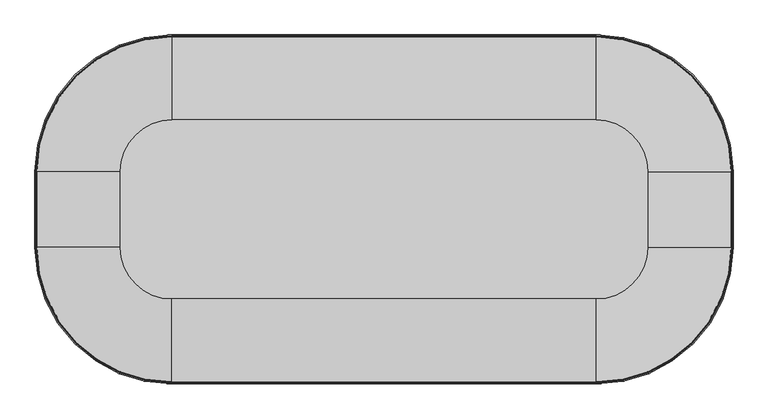
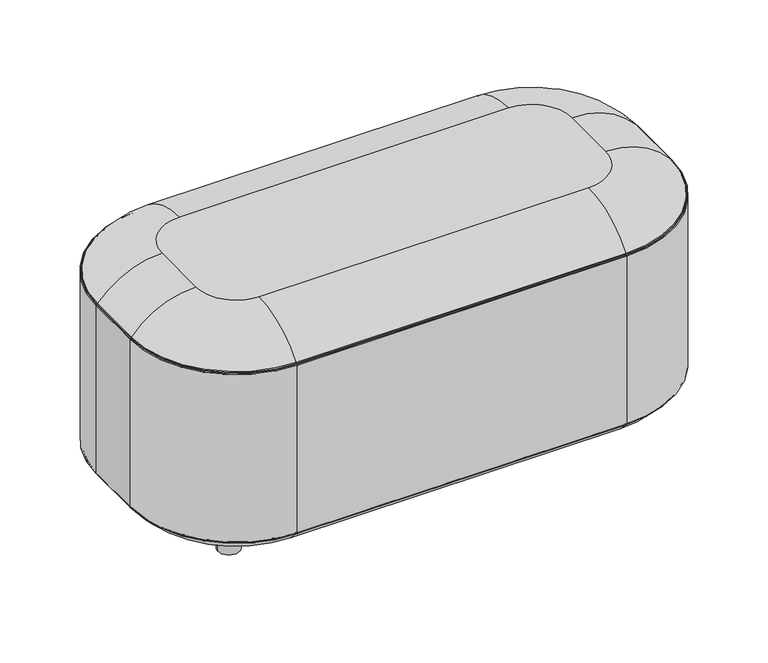
"""IFC4 building model written with IfcOpenShell, lengths in millimetres: furniture geometry."""

import ifcopenshell
import ifcopenshell.guid

model = None  # the IFC model being written
_history = None  # IfcOwnerHistory: only IFC2X3 demands one
_inside = {}  # id of a spatial element -> (the spatial element, [elements in it])
_under = {}  # id of a project, library or spatial element -> (it, [spatial elements below it])
_declared = {}  # id of a project -> (the project, [libraries it declares])
_typed = {}  # id of a type object -> (the type object, [elements of that type])
_made_of = {}  # id of a material, layer set ... -> (it, [elements and type objects made of it])


def new_model(schema):
    """Start an empty IFC model of exactly this schema.

    Asked for "IFC4X3", IfcOpenShell would pick the latest addendum, in which some entities
    have other attributes; the version numbers below select the first issue.
    IFC2X3 requires an IfcOwnerHistory on every rooted entity: one is made here for all.
    """
    global model, _history
    if schema == "IFC4X3":
        model = ifcopenshell.file(schema_version=(4, 3, 0, 0))
    else:
        model = ifcopenshell.file(schema=schema)
    _inside.clear()
    _under.clear()
    _declared.clear()
    _typed.clear()
    _made_of.clear()
    _history = None
    if model.schema == "IFC2X3":
        org = make("IfcOrganization", Name="unknown")
        user = make(
            "IfcPersonAndOrganization",
            ThePerson=make("IfcPerson", FamilyName="unknown"),
            TheOrganization=org,
        )
        app = make(
            "IfcApplication",
            ApplicationDeveloper=org,
            Version="unknown",
            ApplicationFullName="unknown",
            ApplicationIdentifier="unknown",
        )
        _history = make(
            "IfcOwnerHistory",
            OwningUser=user,
            OwningApplication=app,
            ChangeAction="ADDED",
            CreationDate=0,
        )
    return model


def make(cls, **values):
    """One entity of the class cls with the attributes given. An attribute that is None is left unset."""
    return model.create_entity(
        cls, **{name: value for name, value in values.items() if value is not None}
    )


def rooted(cls, **values):
    """An entity with a GlobalId (a new one), such as an element, a storey or a relation."""
    return make(cls, GlobalId=ifcopenshell.guid.new(), OwnerHistory=_history, **values)


def si_unit(unit_type, name, prefix=None):
    """IfcSIUnit, for example si_unit("LENGTHUNIT", "METRE", prefix="MILLI")."""
    return make("IfcSIUnit", UnitType=unit_type, Prefix=prefix, Name=name)


def assignment(units):
    """IfcUnitAssignment: the units of a project."""
    return None if units is None else make("IfcUnitAssignment", Units=units)


def point(xyz):
    """IfcCartesianPoint."""
    return None if xyz is None else make("IfcCartesianPoint", Coordinates=xyz)


def direction(xyz):
    """IfcDirection."""
    return None if xyz is None else make("IfcDirection", DirectionRatios=xyz)


def frame(location, z_axis=None, x_axis=None):
    """IfcAxis2Placement3D, a coordinate frame: its origin and axes. An axis left out is left unset."""
    return make(
        "IfcAxis2Placement3D",
        Location=point(location),
        Axis=direction(z_axis),
        RefDirection=direction(x_axis),
    )


def frame_2d(location, x_axis=None):
    """IfcAxis2Placement2D, a coordinate frame in the plane: its origin and x axis."""
    return make(
        "IfcAxis2Placement2D", Location=point(location), RefDirection=direction(x_axis)
    )


def origin():
    """The frame at (0, 0, 0) with its axes left unset."""
    return frame((0.0, 0.0, 0.0))


def origin_with_axes():
    """The frame at (0, 0, 0) with the z axis (0, 0, 1) and the x axis (1, 0, 0) written out."""
    return frame((0.0, 0.0, 0.0), z_axis=(0.0, 0.0, 1.0), x_axis=(1.0, 0.0, 0.0))


def place(relative_to, where):
    """IfcLocalPlacement: puts the frame where relative to a parent placement (None: the world)."""
    return make(
        "IfcLocalPlacement", PlacementRelTo=relative_to, RelativePlacement=where
    )


def context(
    kind, dimensions, precision=None, world=None, true_north=None, identifier=None
):
    """IfcGeometricRepresentationContext, for example the 3D "Model" context."""
    return make(
        "IfcGeometricRepresentationContext",
        ContextIdentifier=identifier,
        ContextType=kind,
        CoordinateSpaceDimension=dimensions,
        Precision=precision,
        WorldCoordinateSystem=world,
        TrueNorth=true_north,
    )


def project(units=None, contexts=None):
    """IfcProject with its units and contexts."""
    return rooted(
        "IfcProject",
        Name="project",
        RepresentationContexts=contexts,
        UnitsInContext=assignment(units),
    )


def spatial(cls, under=None, at=None, **own):
    """A site, building, storey or space (cls), placed at a placement, below another one or the project."""
    s = rooted(cls, ObjectPlacement=at, **own)
    if under is not None:
        _under.setdefault(under.id(), (under, []))[1].append(s)
    return s


def polyline(points):
    """IfcPolyline through the points."""
    return make("IfcPolyline", Points=[point(p) for p in points])


def circle_curve(where, radius):
    """IfcCircle in the frame where."""
    return make("IfcCircle", Position=where, Radius=radius)


def ellipse_curve(where, semi_axis1, semi_axis2):
    """IfcEllipse in the frame where."""
    return make(
        "IfcEllipse", Position=where, SemiAxis1=semi_axis1, SemiAxis2=semi_axis2
    )


def trimmed(basis, trim1, trim2, sense, master):
    """IfcTrimmedCurve: the piece of a basis curve between two trims."""
    return make(
        "IfcTrimmedCurve",
        BasisCurve=basis,
        Trim1=trim1,
        Trim2=trim2,
        SenseAgreement=sense,
        MasterRepresentation=master,
    )


def segment(curve, same_sense, transition):
    """IfcCompositeCurveSegment."""
    return make(
        "IfcCompositeCurveSegment",
        Transition=transition,
        SameSense=same_sense,
        ParentCurve=curve,
    )


def composite_curve(segments, self_intersect=None):
    """IfcCompositeCurve: segments joined end to end."""
    return make("IfcCompositeCurve", Segments=segments, SelfIntersect=self_intersect)


def outline(outer, holes=None, kind="AREA"):
    """IfcArbitraryClosedProfileDef: a profile drawn as a closed curve; with holes, ...WithVoids."""
    if holes is None:
        return make("IfcArbitraryClosedProfileDef", ProfileType=kind, OuterCurve=outer)
    return make(
        "IfcArbitraryProfileDefWithVoids",
        ProfileType=kind,
        OuterCurve=outer,
        InnerCurves=holes,
    )


def extrude(swept, where, along, depth):
    """IfcExtrudedAreaSolid: the profile swept, set in the frame where, extruded along a direction by depth."""
    return make(
        "IfcExtrudedAreaSolid",
        SweptArea=swept,
        Position=where,
        ExtrudedDirection=direction(along),
        Depth=depth,
    )


def shape(context_of_items, identifier, shape_type, items):
    """IfcShapeRepresentation: the items that make up one representation, for example the "Body"."""
    return make(
        "IfcShapeRepresentation",
        ContextOfItems=context_of_items,
        RepresentationIdentifier=identifier,
        RepresentationType=shape_type,
        Items=items,
    )


def source(mapping_origin, context_of_items, identifier, shape_type, items):
    """IfcRepresentationMap: a shape defined once, which mapped items show again and again."""
    return make(
        "IfcRepresentationMap",
        MappingOrigin=mapping_origin,
        MappedRepresentation=shape(context_of_items, identifier, shape_type, items),
    )


def transform(
    local_origin,
    x_axis=None,
    y_axis=None,
    z_axis=None,
    scale=None,
    scale2=None,
    scale3=None,
    uniform=True,
):
    """IfcCartesianTransformationOperator3D, or its non-uniform kind. x_axis, y_axis, z_axis: its Axis1, 2, 3."""
    if uniform:
        return make(
            "IfcCartesianTransformationOperator3D",
            Axis1=direction(x_axis),
            Axis2=direction(y_axis),
            LocalOrigin=point(local_origin),
            Scale=scale,
            Axis3=direction(z_axis),
        )
    return make(
        "IfcCartesianTransformationOperator3DnonUniform",
        Axis1=direction(x_axis),
        Axis2=direction(y_axis),
        LocalOrigin=point(local_origin),
        Scale=scale,
        Axis3=direction(z_axis),
        Scale2=scale2,
        Scale3=scale3,
    )


def mapped(mapping_source, mapping_target):
    """IfcMappedItem: shows the shape of a source again, moved by a transform."""
    return make(
        "IfcMappedItem", MappingSource=mapping_source, MappingTarget=mapping_target
    )


def made_of(thing, what):
    """Note that an element or type object is made of a material, layer set ...; save() writes the relation."""
    if what is not None:
        _made_of.setdefault(what.id(), (what, []))[1].append(thing)
    return thing


def element(
    cls,
    number,
    at=None,
    inside=None,
    cuts=None,
    type_object=None,
    material=None,
    context=None,
    identifier="Body",
    shape_type=None,
    held_by="IfcProductDefinitionShape",
    body=None,
    shapes=None,
    **own,
):
    """One element of the class cls, such as IfcWall. Its Tag is "e" and its number.

    at: its placement. inside: the storey or other place that contains it. cuts: it is an
    opening in that element (IfcRelVoidsElement). A single representation is given by context,
    identifier, shape_type and body (its items); several are given by shapes. held_by: the class
    of the entity that holds the representations. save() writes the other relations.
    """
    e = rooted(cls, Tag="e%d" % number, ObjectPlacement=at, **own)
    if body is not None:
        shapes = [shape(context, identifier, shape_type, body)]
    if shapes is not None:
        e.Representation = make(held_by, Representations=shapes)
    if inside is not None:
        _inside.setdefault(inside.id(), (inside, []))[1].append(e)
    if cuts is not None:
        rooted(
            "IfcRelVoidsElement", RelatingBuildingElement=cuts, RelatedOpeningElement=e
        )
    if type_object is not None:
        _typed.setdefault(type_object.id(), (type_object, []))[1].append(e)
    return made_of(e, material)


def aggregate(whole, parts):
    """IfcRelAggregates: a whole, such as a stair, and the parts it consists of."""
    return rooted("IfcRelAggregates", RelatingObject=whole, RelatedObjects=parts)


def save(model, path):
    """Write the relations noted so far, then the file.

    IfcRelAggregates (storeys below a building ...), IfcRelContainedInSpatialStructure (elements
    in a storey), IfcRelDefinesByType, IfcRelAssociatesMaterial and IfcRelDeclares: one each for
    every whole, place, type object, material and project.
    """
    for whole, parts in _under.values():
        aggregate(whole, parts)
    for where, things in _inside.values():
        rooted(
            "IfcRelContainedInSpatialStructure",
            RelatedElements=things,
            RelatingStructure=where,
        )
    for kind, things in _typed.values():
        rooted("IfcRelDefinesByType", RelatedObjects=things, RelatingType=kind)
    for what, things in _made_of.values():
        rooted("IfcRelAssociatesMaterial", RelatedObjects=things, RelatingMaterial=what)
    for by, libraries in _declared.values():
        rooted("IfcRelDeclares", RelatingContext=by, RelatedDefinitions=libraries)
    model.write(path)


def plane_surface(at):
    """IfcPlane: the flat surface through the origin of the frame at, square to its z axis."""
    return make("IfcPlane", Position=at)


def cylinder_surface(at, radius):
    """IfcCylindricalSurface: all points at the distance radius from the z axis of the frame at."""
    return make("IfcCylindricalSurface", Position=at, Radius=radius)


def revolved_surface(curve, axis_point, axis_direction):
    """IfcSurfaceOfRevolution: the curve turned about the line through axis_point along axis_direction."""
    return make(
        "IfcSurfaceOfRevolution",
        SweptCurve=make("IfcArbitraryOpenProfileDef", ProfileType="CURVE", Curve=curve),
        AxisPosition=make("IfcAxis1Placement", Location=point(axis_point), Axis=direction(axis_direction)),
    )


def advanced_brep(points, edges, surfaces, faces):
    """IfcAdvancedBrep: a solid bounded by faces that lie on surfaces and meet in shared edges.

    An edge is (start, end): straight between two places in points (the first is 0);
    or (start, end, curve); or (start, end, curve, False) where it runs against its curve.
    A face is (place in surfaces, loops), or (place, loops, False) where it looks against
    its surface's normal. A loop lists edges by number (the first is 1), with a minus sign
    where the edge is run from its end to its start. The first loop is the outer one.
    """
    corners = [point(p) for p in points]
    vertices = [make("IfcVertexPoint", VertexGeometry=c) for c in corners]
    made = []
    for start, end, *more in edges:
        made.append(
            make(
                "IfcEdgeCurve",
                EdgeStart=vertices[start],
                EdgeEnd=vertices[end],
                EdgeGeometry=more[0] if more else make("IfcPolyline", Points=[corners[start], corners[end]]),
                SameSense=more[1] if len(more) > 1 else True,
            )
        )
    hull = []
    for where, loops, *sense in faces:
        bounds = []
        for j, loop in enumerate(loops):
            ring = [make("IfcOrientedEdge", EdgeElement=made[abs(k) - 1], Orientation=k > 0) for k in loop]
            bounds.append(
                make(
                    "IfcFaceOuterBound" if j == 0 else "IfcFaceBound",
                    Bound=make("IfcEdgeLoop", EdgeList=ring),
                    Orientation=True,
                )
            )
        hull.append(make("IfcAdvancedFace", Bounds=bounds, FaceSurface=surfaces[where], SameSense=sense[0] if sense else True))
    return make("IfcAdvancedBrep", Outer=make("IfcClosedShell", CfsFaces=hull))


def furniture_db235103(model_context):
    return source(origin(), model_context, "Body", "SolidModel", [
        extrude(outline(composite_curve([segment(trimmed(circle_curve(frame_2d((196.85, -196.85)), 24.13), [point((172.72, -196.85))], [point((220.98, -196.85))], False, "CARTESIAN"), True, "CONTINUOUS"), segment(trimmed(circle_curve(frame_2d((196.85, -196.85)), 24.13), [point((220.98, -196.85))], [point((172.72, -196.85))], False, "CARTESIAN"), True, "CONTINUOUS")], self_intersect=False)), origin_with_axes(), (0.0, 0.0, 1.0), 68.8975487),
        extrude(outline(composite_curve([segment(trimmed(circle_curve(frame_2d((196.85, -403.098)), 24.13), [point((172.72, -403.098))], [point((220.98, -403.098))], False, "CARTESIAN"), True, "CONTINUOUS"), segment(trimmed(circle_curve(frame_2d((196.85, -403.098)), 24.13), [point((220.98, -403.098))], [point((172.72, -403.098))], False, "CARTESIAN"), True, "CONTINUOUS")], self_intersect=False)), origin_with_axes(), (0.0, 0.0, 1.0), 68.8975487),
        extrude(outline(composite_curve([segment(trimmed(circle_curve(frame_2d((1003.1503967, -196.85)), 24.13), [point((979.0203967, -196.85))], [point((1027.2803967, -196.85))], False, "CARTESIAN"), True, "CONTINUOUS"), segment(trimmed(circle_curve(frame_2d((1003.1503967, -196.85)), 24.13), [point((1027.2803967, -196.85))], [point((979.0203967, -196.85))], False, "CARTESIAN"), True, "CONTINUOUS")], self_intersect=False)), origin_with_axes(), (0.0, 0.0, 1.0), 68.8975487),
        extrude(outline(composite_curve([segment(trimmed(circle_curve(frame_2d((1003.1503967, -403.098)), 24.13), [point((979.0203967, -403.098))], [point((1027.2803967, -403.098))], False, "CARTESIAN"), True, "CONTINUOUS"), segment(trimmed(circle_curve(frame_2d((1003.1503967, -403.098)), 24.13), [point((1027.2803967, -403.098))], [point((979.0203967, -403.098))], False, "CARTESIAN"), True, "CONTINUOUS")], self_intersect=False)), origin_with_axes(), (0.0, 0.0, 1.0), 68.8975487),
        advanced_brep(
        [(1196.4997362, -234.95, 537.7972201), (965.0503967, -3.5006606, 537.7972201), (965.0503967, -146.05, 605.028), (1053.9503967, -234.95, 605.028), (1197.032026, -234.95, 535.6912334), (965.0503967, -2.9683707, 535.6912334), (1198.2895306, -234.95, 534.6147357), (965.0503967, -1.7108661, 534.6147357), (1200.0003967, -234.95, 533.4167743), (965.0503967, 0.0, 533.4167743), (1200.0003967, -234.95, 140.5087743), (965.0503967, 0.0, 140.5087743), (1198.2895306, -234.95, 139.310813), (965.0503967, -1.7108661, 139.310813), (1197.032026, -234.95, 138.2343153), (965.0503967, -2.9683707, 138.2343153), (1196.4997362, -234.95, 136.1283286), (965.0503967, -3.5006606, 136.1283286), (1053.9503967, -234.95, 68.8975487), (965.0503967, -146.05, 68.8975487), (1053.9503967, -364.998, 605.028), (1196.4997362, -364.998, 537.7972201), (1197.032026, -364.998, 535.6912334), (1198.2895306, -364.998, 534.6147357), (1200.0003967, -364.998, 533.4167743), (1200.0003967, -364.998, 140.5087743), (1198.2895306, -364.998, 139.310813), (1197.032026, -364.998, 138.2343153), (1196.4997362, -364.998, 136.1283286), (1053.9503967, -364.998, 68.8975487), (965.0503967, -453.898, 605.028), (965.0503967, -596.4473394, 537.7972201), (965.0503967, -596.9796293, 535.6912334), (965.0503967, -598.2371339, 534.6147357), (965.0503967, -599.948, 533.4167743), (965.0503967, -599.948, 140.5087743), (965.0503967, -598.2371339, 139.310813), (965.0503967, -596.9796293, 138.2343153), (965.0503967, -596.4473394, 136.1283286), (965.0503967, -453.898, 68.8975487), (234.95, -453.898, 605.028), (234.95, -596.4473394, 537.7972201), (234.95, -596.9796293, 535.6912334), (234.95, -598.2371339, 534.6147357), (234.95, -599.948, 533.4167743), (234.95, -599.948, 140.5087743), (234.95, -598.2371339, 139.310813), (234.95, -596.9796293, 138.2343153), (234.95, -596.4473394, 136.1283286), (234.95, -453.898, 68.8975487), (146.05, -364.998, 605.028), (3.5006606, -364.998, 537.7972201), (2.9683707, -364.998, 535.6912334), (1.7108661, -364.998, 534.6147357), (0.0, -364.998, 533.4167743), (0.0, -364.998, 140.5087743), (1.7108661, -364.998, 139.310813), (2.9683707, -364.998, 138.2343153), (3.5006606, -364.998, 136.1283286), (146.05, -364.998, 68.8975487), (146.05, -234.95, 605.028), (3.5006606, -234.95, 537.7972201), (2.9683707, -234.95, 535.6912334), (1.7108661, -234.95, 534.6147357), (0.0, -234.95, 533.4167743), (0.0, -234.95, 140.5087743), (1.7108661, -234.95, 139.310813), (2.9683707, -234.95, 138.2343153), (3.5006606, -234.95, 136.1283286), (146.05, -234.95, 68.8975487), (234.95, -146.05, 605.028), (234.95, -3.5006606, 537.7972201), (234.95, -2.9683707, 535.6912334), (234.95, -1.7108661, 534.6147357), (234.95, 0.0, 533.4167743), (234.95, 0.0, 140.5087743), (234.95, -1.7108661, 139.310813), (234.95, -2.9683707, 138.2343153), (234.95, -3.5006606, 136.1283286), (234.95, -146.05, 68.8975487)],
        [
            (0, 1, circle_curve(frame((965.0503967, -234.95, 537.7972201), z_axis=(0.0, 0.0, 1.0), x_axis=(0.0, 1.0, 0.0)), 231.4493394)),
            (1, 2, circle_curve(frame((965.0503967, -146.05, 420.289016), z_axis=(1.0, 0.0, 0.0), x_axis=(0.0, 1.0, 0.0)), 184.738984)),
            (2, 3, circle_curve(frame((965.0503967, -234.95, 605.028), z_axis=(0.0, 0.0, -1.0), x_axis=(0.0, 1.0, 0.0)), 88.9)),
            (3, 0, circle_curve(frame((1053.9503967, -234.95, 420.289016), z_axis=(0.0, 1.0, 0.0), x_axis=(1.0, 0.0, 0.0)), 184.738984)),
            (0, 4, circle_curve(frame((1194.539807, -234.95, 536.1815847), z_axis=(0.0, 1.0, 0.0), x_axis=(1.0, 0.0, 0.0)), 2.54)),
            (4, 5, circle_curve(frame((965.0503967, -234.95, 535.6912334), z_axis=(0.0, 0.0, 1.0), x_axis=(0.0, 1.0, 0.0)), 231.9816293)),
            (5, 1, circle_curve(frame((965.0503967, -5.4605897, 536.1815847), z_axis=(1.0, 0.0, 0.0), x_axis=(0.0, 1.0, 0.0)), 2.54)),
            (4, 6, circle_curve(frame((1197.9644935, -234.95, 535.5077677), z_axis=(0.0, -1.0, 0.0), x_axis=(1.0, 0.0, 0.0)), 0.9503448)),
            (6, 7, circle_curve(frame((965.0503967, -234.95, 534.6147357), z_axis=(0.0, 0.0, 1.0), x_axis=(0.0, 1.0, 0.0)), 233.2391339)),
            (7, 5, circle_curve(frame((965.0503967, -2.0359032, 535.5077677), z_axis=(-1.0, 0.0, 0.0), x_axis=(0.0, 1.0, 0.0)), 0.9503448)),
            (6, 8, circle_curve(frame((1198.7255529, -234.95, 533.4167743), z_axis=(0.0, 1.0, 0.0), x_axis=(1.0, 0.0, 0.0)), 1.2748439)),
            (8, 9, circle_curve(frame((965.0503967, -234.95, 533.4167743), z_axis=(0.0, 0.0, 1.0), x_axis=(0.0, 1.0, 0.0)), 234.95)),
            (9, 7, circle_curve(frame((965.0503967, -1.2748439, 533.4167743), z_axis=(1.0, 0.0, 0.0), x_axis=(0.0, 1.0, 0.0)), 1.2748439)),
            (8, 10),
            (10, 11, circle_curve(frame((965.0503967, -234.95, 140.5087743), z_axis=(0.0, 0.0, 1.0), x_axis=(0.0, 1.0, 0.0)), 234.95)),
            (11, 9),
            (10, 12, circle_curve(frame((1198.7255529, -234.95, 140.5087743), z_axis=(0.0, 1.0, 0.0), x_axis=(1.0, 0.0, 0.0)), 1.2748439)),
            (12, 13, circle_curve(frame((965.0503967, -234.95, 139.310813), z_axis=(0.0, 0.0, 1.0), x_axis=(0.0, 1.0, 0.0)), 233.2391339)),
            (13, 11, circle_curve(frame((965.0503967, -1.2748439, 140.5087743), z_axis=(1.0, 0.0, 0.0), x_axis=(0.0, 1.0, 0.0)), 1.2748439)),
            (12, 14, circle_curve(frame((1197.9644935, -234.95, 138.4177809), z_axis=(0.0, -1.0, 0.0), x_axis=(1.0, 0.0, 0.0)), 0.9503448)),
            (14, 15, circle_curve(frame((965.0503967, -234.95, 138.2343153), z_axis=(0.0, 0.0, 1.0), x_axis=(0.0, 1.0, 0.0)), 231.9816293)),
            (15, 13, circle_curve(frame((965.0503967, -2.0359032, 138.4177809), z_axis=(-1.0, 0.0, 0.0), x_axis=(0.0, 1.0, 0.0)), 0.9503448)),
            (14, 16, circle_curve(frame((1194.539807, -234.95, 137.743964), z_axis=(0.0, 1.0, 0.0), x_axis=(1.0, 0.0, 0.0)), 2.54)),
            (16, 17, circle_curve(frame((965.0503967, -234.95, 136.1283286), z_axis=(0.0, 0.0, 1.0), x_axis=(0.0, 1.0, 0.0)), 231.4493394)),
            (17, 15, circle_curve(frame((965.0503967, -5.4605897, 137.743964), z_axis=(1.0, 0.0, 0.0), x_axis=(0.0, 1.0, 0.0)), 2.54)),
            (16, 18, circle_curve(frame((1053.9503967, -234.95, 253.6365327), z_axis=(0.0, 1.0, 0.0), x_axis=(1.0, 0.0, 0.0)), 184.738984)),
            (18, 19, circle_curve(frame((965.0503967, -234.95, 68.8975487), z_axis=(0.0, 0.0, 1.0), x_axis=(0.0, 1.0, 0.0)), 88.9)),
            (19, 17, circle_curve(frame((965.0503967, -146.05, 253.6365327), z_axis=(1.0, 0.0, 0.0), x_axis=(0.0, 1.0, 0.0)), 184.738984)),
            (3, 20),
            (20, 21, circle_curve(frame((1053.9503967, -364.998, 420.289016), z_axis=(0.0, 1.0, 0.0), x_axis=(1.0, 0.0, 0.0)), 184.738984)),
            (21, 0),
            (21, 22, circle_curve(frame((1194.539807, -364.998, 536.1815847), z_axis=(0.0, 1.0, 0.0), x_axis=(1.0, 0.0, 0.0)), 2.54)),
            (22, 4),
            (22, 23, circle_curve(frame((1197.9644935, -364.998, 535.5077677), z_axis=(0.0, -1.0, 0.0), x_axis=(1.0, 0.0, 0.0)), 0.9503448)),
            (23, 6),
            (23, 24, circle_curve(frame((1198.7255529, -364.998, 533.4167743), z_axis=(0.0, 1.0, 0.0), x_axis=(1.0, 0.0, 0.0)), 1.2748439)),
            (24, 8),
            (24, 25),
            (25, 10),
            (25, 26, circle_curve(frame((1198.7255529, -364.998, 140.5087743), z_axis=(0.0, 1.0, 0.0), x_axis=(1.0, 0.0, 0.0)), 1.2748439)),
            (26, 12),
            (26, 27, circle_curve(frame((1197.9644935, -364.998, 138.4177809), z_axis=(0.0, -1.0, 0.0), x_axis=(1.0, 0.0, 0.0)), 0.9503448)),
            (27, 14),
            (27, 28, circle_curve(frame((1194.539807, -364.998, 137.743964), z_axis=(0.0, 1.0, 0.0), x_axis=(1.0, 0.0, 0.0)), 2.54)),
            (28, 16),
            (28, 29, circle_curve(frame((1053.9503967, -364.998, 253.6365327), z_axis=(0.0, 1.0, 0.0), x_axis=(1.0, 0.0, 0.0)), 184.738984)),
            (29, 18),
            (20, 30, circle_curve(frame((965.0503967, -364.998, 605.028), z_axis=(0.0, 0.0, -1.0), x_axis=(1.0, 0.0, 0.0)), 88.9)),
            (30, 31, circle_curve(frame((965.0503967, -453.898, 420.289016), z_axis=(1.0, 0.0, 0.0), x_axis=(0.0, -1.0, 0.0)), 184.738984)),
            (31, 21, circle_curve(frame((965.0503967, -364.998, 537.7972201), z_axis=(0.0, 0.0, 1.0), x_axis=(1.0, 0.0, 0.0)), 231.4493394)),
            (31, 32, circle_curve(frame((965.0503967, -594.4874103, 536.1815847), z_axis=(1.0, 0.0, 0.0), x_axis=(0.0, -1.0, 0.0)), 2.54)),
            (32, 22, circle_curve(frame((965.0503967, -364.998, 535.6912334), z_axis=(0.0, 0.0, 1.0), x_axis=(1.0, 0.0, 0.0)), 231.9816293)),
            (32, 33, circle_curve(frame((965.0503967, -597.9120968, 535.5077677), z_axis=(-1.0, 0.0, 0.0), x_axis=(0.0, -1.0, 0.0)), 0.9503448)),
            (33, 23, circle_curve(frame((965.0503967, -364.998, 534.6147357), z_axis=(0.0, 0.0, 1.0), x_axis=(1.0, 0.0, 0.0)), 233.2391339)),
            (33, 34, circle_curve(frame((965.0503967, -598.6731561, 533.4167743), z_axis=(1.0, 0.0, 0.0), x_axis=(0.0, -1.0, 0.0)), 1.2748439)),
            (34, 24, circle_curve(frame((965.0503967, -364.998, 533.4167743), z_axis=(0.0, 0.0, 1.0), x_axis=(1.0, 0.0, 0.0)), 234.95)),
            (34, 35),
            (35, 25, circle_curve(frame((965.0503967, -364.998, 140.5087743), z_axis=(0.0, 0.0, 1.0), x_axis=(1.0, 0.0, 0.0)), 234.95)),
            (35, 36, circle_curve(frame((965.0503967, -598.6731561, 140.5087743), z_axis=(1.0, 0.0, 0.0), x_axis=(0.0, -1.0, 0.0)), 1.2748439)),
            (36, 26, circle_curve(frame((965.0503967, -364.998, 139.310813), z_axis=(0.0, 0.0, 1.0), x_axis=(1.0, 0.0, 0.0)), 233.2391339)),
            (36, 37, circle_curve(frame((965.0503967, -597.9120968, 138.4177809), z_axis=(-1.0, 0.0, 0.0), x_axis=(0.0, -1.0, 0.0)), 0.9503448)),
            (37, 27, circle_curve(frame((965.0503967, -364.998, 138.2343153), z_axis=(0.0, 0.0, 1.0), x_axis=(1.0, 0.0, 0.0)), 231.9816293)),
            (37, 38, circle_curve(frame((965.0503967, -594.4874103, 137.743964), z_axis=(1.0, 0.0, 0.0), x_axis=(0.0, -1.0, 0.0)), 2.54)),
            (38, 28, circle_curve(frame((965.0503967, -364.998, 136.1283286), z_axis=(0.0, 0.0, 1.0), x_axis=(1.0, 0.0, 0.0)), 231.4493394)),
            (38, 39, circle_curve(frame((965.0503967, -453.898, 253.6365327), z_axis=(1.0, 0.0, 0.0), x_axis=(0.0, -1.0, 0.0)), 184.738984)),
            (39, 29, circle_curve(frame((965.0503967, -364.998, 68.8975487), z_axis=(0.0, 0.0, 1.0), x_axis=(1.0, 0.0, 0.0)), 88.9)),
            (30, 40),
            (40, 41, circle_curve(frame((234.95, -453.898, 420.289016), z_axis=(1.0, 0.0, 0.0), x_axis=(0.0, -1.0, 0.0)), 184.738984)),
            (41, 31),
            (41, 42, circle_curve(frame((234.95, -594.4874103, 536.1815847), z_axis=(1.0, 0.0, 0.0), x_axis=(0.0, -1.0, 0.0)), 2.54)),
            (42, 32),
            (42, 43, circle_curve(frame((234.95, -597.9120968, 535.5077677), z_axis=(-1.0, 0.0, 0.0), x_axis=(0.0, -1.0, 0.0)), 0.9503448)),
            (43, 33),
            (43, 44, circle_curve(frame((234.95, -598.6731561, 533.4167743), z_axis=(1.0, 0.0, 0.0), x_axis=(0.0, -1.0, 0.0)), 1.2748439)),
            (44, 34),
            (44, 45),
            (45, 35),
            (45, 46, circle_curve(frame((234.95, -598.6731561, 140.5087743), z_axis=(1.0, 0.0, 0.0), x_axis=(0.0, -1.0, 0.0)), 1.2748439)),
            (46, 36),
            (46, 47, circle_curve(frame((234.95, -597.9120968, 138.4177809), z_axis=(-1.0, 0.0, 0.0), x_axis=(0.0, -1.0, 0.0)), 0.9503448)),
            (47, 37),
            (47, 48, circle_curve(frame((234.95, -594.4874103, 137.743964), z_axis=(1.0, 0.0, 0.0), x_axis=(0.0, -1.0, 0.0)), 2.54)),
            (48, 38),
            (48, 49, circle_curve(frame((234.95, -453.898, 253.6365327), z_axis=(1.0, 0.0, 0.0), x_axis=(0.0, -1.0, 0.0)), 184.738984)),
            (49, 39),
            (40, 50, circle_curve(frame((234.95, -364.998, 605.028), z_axis=(0.0, 0.0, -1.0), x_axis=(0.0, -1.0, 0.0)), 88.9)),
            (50, 51, circle_curve(frame((146.05, -364.998, 420.289016), z_axis=(0.0, -1.0, 0.0), x_axis=(-1.0, 0.0, 0.0)), 184.738984)),
            (51, 41, circle_curve(frame((234.95, -364.998, 537.7972201), z_axis=(0.0, 0.0, 1.0), x_axis=(0.0, -1.0, 0.0)), 231.4493394)),
            (51, 52, circle_curve(frame((5.4605897, -364.998, 536.1815847), z_axis=(0.0, -1.0, 0.0), x_axis=(-1.0, 0.0, 0.0)), 2.54)),
            (52, 42, circle_curve(frame((234.95, -364.998, 535.6912334), z_axis=(0.0, 0.0, 1.0), x_axis=(0.0, -1.0, 0.0)), 231.9816293)),
            (52, 53, circle_curve(frame((2.0359032, -364.998, 535.5077677), z_axis=(0.0, 1.0, 0.0), x_axis=(-1.0, 0.0, 0.0)), 0.9503448)),
            (53, 43, circle_curve(frame((234.95, -364.998, 534.6147357), z_axis=(0.0, 0.0, 1.0), x_axis=(0.0, -1.0, 0.0)), 233.2391339)),
            (53, 54, circle_curve(frame((1.2748439, -364.998, 533.4167743), z_axis=(0.0, -1.0, 0.0), x_axis=(-1.0, 0.0, 0.0)), 1.2748439)),
            (54, 44, circle_curve(frame((234.95, -364.998, 533.4167743), z_axis=(0.0, 0.0, 1.0), x_axis=(0.0, -1.0, 0.0)), 234.95)),
            (54, 55),
            (55, 45, circle_curve(frame((234.95, -364.998, 140.5087743), z_axis=(0.0, 0.0, 1.0), x_axis=(0.0, -1.0, 0.0)), 234.95)),
            (55, 56, circle_curve(frame((1.2748439, -364.998, 140.5087743), z_axis=(0.0, -1.0, 0.0), x_axis=(-1.0, 0.0, 0.0)), 1.2748439)),
            (56, 46, circle_curve(frame((234.95, -364.998, 139.310813), z_axis=(0.0, 0.0, 1.0), x_axis=(0.0, -1.0, 0.0)), 233.2391339)),
            (56, 57, circle_curve(frame((2.0359032, -364.998, 138.4177809), z_axis=(0.0, 1.0, 0.0), x_axis=(-1.0, 0.0, 0.0)), 0.9503448)),
            (57, 47, circle_curve(frame((234.95, -364.998, 138.2343153), z_axis=(0.0, 0.0, 1.0), x_axis=(0.0, -1.0, 0.0)), 231.9816293)),
            (57, 58, circle_curve(frame((5.4605897, -364.998, 137.743964), z_axis=(0.0, -1.0, 0.0), x_axis=(-1.0, 0.0, 0.0)), 2.54)),
            (58, 48, circle_curve(frame((234.95, -364.998, 136.1283286), z_axis=(0.0, 0.0, 1.0), x_axis=(0.0, -1.0, 0.0)), 231.4493394)),
            (58, 59, circle_curve(frame((146.05, -364.998, 253.6365327), z_axis=(0.0, -1.0, 0.0), x_axis=(-1.0, 0.0, 0.0)), 184.738984)),
            (59, 49, circle_curve(frame((234.95, -364.998, 68.8975487), z_axis=(0.0, 0.0, 1.0), x_axis=(0.0, -1.0, 0.0)), 88.9)),
            (50, 60),
            (60, 61, circle_curve(frame((146.05, -234.95, 420.289016), z_axis=(0.0, -1.0, 0.0), x_axis=(-1.0, 0.0, 0.0)), 184.738984)),
            (61, 51),
            (61, 62, circle_curve(frame((5.4605897, -234.95, 536.1815847), z_axis=(0.0, -1.0, 0.0), x_axis=(-1.0, 0.0, 0.0)), 2.54)),
            (62, 52),
            (62, 63, circle_curve(frame((2.0359032, -234.95, 535.5077677), z_axis=(0.0, 1.0, 0.0), x_axis=(-1.0, 0.0, 0.0)), 0.9503448)),
            (63, 53),
            (63, 64, circle_curve(frame((1.2748439, -234.95, 533.4167743), z_axis=(0.0, -1.0, 0.0), x_axis=(-1.0, 0.0, 0.0)), 1.2748439)),
            (64, 54),
            (64, 65),
            (65, 55),
            (65, 66, circle_curve(frame((1.2748439, -234.95, 140.5087743), z_axis=(0.0, -1.0, 0.0), x_axis=(-1.0, 0.0, 0.0)), 1.2748439)),
            (66, 56),
            (66, 67, circle_curve(frame((2.0359032, -234.95, 138.4177809), z_axis=(0.0, 1.0, 0.0), x_axis=(-1.0, 0.0, 0.0)), 0.9503448)),
            (67, 57),
            (67, 68, circle_curve(frame((5.4605897, -234.95, 137.743964), z_axis=(0.0, -1.0, 0.0), x_axis=(-1.0, 0.0, 0.0)), 2.54)),
            (68, 58),
            (68, 69, circle_curve(frame((146.05, -234.95, 253.6365327), z_axis=(0.0, -1.0, 0.0), x_axis=(-1.0, 0.0, 0.0)), 184.738984)),
            (69, 59),
            (60, 70, circle_curve(frame((234.95, -234.95, 605.028), z_axis=(0.0, 0.0, -1.0), x_axis=(-1.0, 0.0, 0.0)), 88.9)),
            (70, 71, circle_curve(frame((234.95, -146.05, 420.289016), z_axis=(-1.0, 0.0, 0.0), x_axis=(0.0, 1.0, 0.0)), 184.738984)),
            (71, 61, circle_curve(frame((234.95, -234.95, 537.7972201), z_axis=(0.0, 0.0, 1.0), x_axis=(-1.0, 0.0, 0.0)), 231.4493394)),
            (71, 72, circle_curve(frame((234.95, -5.4605897, 536.1815847), z_axis=(-1.0, 0.0, 0.0), x_axis=(0.0, 1.0, 0.0)), 2.54)),
            (72, 62, circle_curve(frame((234.95, -234.95, 535.6912334), z_axis=(0.0, 0.0, 1.0), x_axis=(-1.0, 0.0, 0.0)), 231.9816293)),
            (72, 73, circle_curve(frame((234.95, -2.0359032, 535.5077677), z_axis=(1.0, 0.0, 0.0), x_axis=(0.0, 1.0, 0.0)), 0.9503448)),
            (73, 63, circle_curve(frame((234.95, -234.95, 534.6147357), z_axis=(0.0, 0.0, 1.0), x_axis=(-1.0, 0.0, 0.0)), 233.2391339)),
            (73, 74, circle_curve(frame((234.95, -1.2748439, 533.4167743), z_axis=(-1.0, 0.0, 0.0), x_axis=(0.0, 1.0, 0.0)), 1.2748439)),
            (74, 64, circle_curve(frame((234.95, -234.95, 533.4167743), z_axis=(0.0, 0.0, 1.0), x_axis=(-1.0, 0.0, 0.0)), 234.95)),
            (74, 75),
            (75, 65, circle_curve(frame((234.95, -234.95, 140.5087743), z_axis=(0.0, 0.0, 1.0), x_axis=(-1.0, 0.0, 0.0)), 234.95)),
            (75, 76, circle_curve(frame((234.95, -1.2748439, 140.5087743), z_axis=(-1.0, 0.0, 0.0), x_axis=(0.0, 1.0, 0.0)), 1.2748439)),
            (76, 66, circle_curve(frame((234.95, -234.95, 139.310813), z_axis=(0.0, 0.0, 1.0), x_axis=(-1.0, 0.0, 0.0)), 233.2391339)),
            (76, 77, circle_curve(frame((234.95, -2.0359032, 138.4177809), z_axis=(1.0, 0.0, 0.0), x_axis=(0.0, 1.0, 0.0)), 0.9503448)),
            (77, 67, circle_curve(frame((234.95, -234.95, 138.2343153), z_axis=(0.0, 0.0, 1.0), x_axis=(-1.0, 0.0, 0.0)), 231.9816293)),
            (77, 78, circle_curve(frame((234.95, -5.4605897, 137.743964), z_axis=(-1.0, 0.0, 0.0), x_axis=(0.0, 1.0, 0.0)), 2.54)),
            (78, 68, circle_curve(frame((234.95, -234.95, 136.1283286), z_axis=(0.0, 0.0, 1.0), x_axis=(-1.0, 0.0, 0.0)), 231.4493394)),
            (78, 79, circle_curve(frame((234.95, -146.05, 253.6365327), z_axis=(-1.0, 0.0, 0.0), x_axis=(0.0, 1.0, 0.0)), 184.738984)),
            (79, 69, circle_curve(frame((234.95, -234.95, 68.8975487), z_axis=(0.0, 0.0, 1.0), x_axis=(-1.0, 0.0, 0.0)), 88.9)),
            (2, 70),
            (1, 71),
            (5, 72),
            (7, 73),
            (9, 74),
            (11, 75),
            (13, 76),
            (15, 77),
            (17, 78),
            (19, 79),
        ],
        [
            revolved_surface(trimmed(ellipse_curve(frame((965.0503967, -146.05, 420.289016), z_axis=(-1.0, 0.0, 0.0), x_axis=(0.0, 1.0, 0.0)), 184.738984, 184.738984), [point((965.0503967, -146.05, 605.028))], [point((965.0503967, -3.5006606, 537.7972201))], True, "CARTESIAN"), (965.0503967, -234.95, 0.0), (0.0, 0.0, -1.0)),
            revolved_surface(trimmed(ellipse_curve(frame((965.0503967, -5.4605897, 536.1815847), z_axis=(-1.0, 0.0, 0.0), x_axis=(0.0, 1.0, 0.0)), 2.54, 2.54), [point((965.0503967, -3.5006606, 537.7972201))], [point((965.0503967, -2.9683707, 535.6912334))], True, "CARTESIAN"), (965.0503967, -234.95, 0.0), (0.0, 0.0, -1.0)),
            revolved_surface(trimmed(ellipse_curve(frame((965.0503967, -2.0359032, 535.5077677), z_axis=(1.0, 0.0, 0.0), x_axis=(0.0, 1.0, 0.0)), 0.9503448, 0.9503448), [point((965.0503967, -2.9683707, 535.6912334))], [point((965.0503967, -1.7108661, 534.6147357))], True, "CARTESIAN"), (965.0503967, -234.95, 0.0), (0.0, 0.0, -1.0)),
            revolved_surface(trimmed(ellipse_curve(frame((965.0503967, -1.2748439, 533.4167743), z_axis=(-1.0, 0.0, 0.0), x_axis=(0.0, 1.0, 0.0)), 1.2748439, 1.2748439), [point((965.0503967, -1.7108661, 534.6147357))], [point((965.0503967, 0.0, 533.4167743))], True, "CARTESIAN"), (965.0503967, -234.95, 0.0), (0.0, 0.0, -1.0)),
            cylinder_surface(frame((965.0503967, -234.95, 0.0), z_axis=(0.0, 0.0, -1.0), x_axis=(0.0, 1.0, 0.0)), 234.95),
            revolved_surface(trimmed(ellipse_curve(frame((965.0503967, -1.2748439, 140.5087743), z_axis=(-1.0, 0.0, 0.0), x_axis=(0.0, 1.0, 0.0)), 1.2748439, 1.2748439), [point((965.0503967, 0.0, 140.5087743))], [point((965.0503967, -1.7108661, 139.310813))], True, "CARTESIAN"), (965.0503967, -234.95, 0.0), (0.0, 0.0, -1.0)),
            revolved_surface(trimmed(ellipse_curve(frame((965.0503967, -2.0359032, 138.4177809), z_axis=(1.0, 0.0, 0.0), x_axis=(0.0, 1.0, 0.0)), 0.9503448, 0.9503448), [point((965.0503967, -1.7108661, 139.310813))], [point((965.0503967, -2.9683707, 138.2343153))], True, "CARTESIAN"), (965.0503967, -234.95, 0.0), (0.0, 0.0, -1.0)),
            revolved_surface(trimmed(ellipse_curve(frame((965.0503967, -5.4605897, 137.743964), z_axis=(-1.0, 0.0, 0.0), x_axis=(0.0, 1.0, 0.0)), 2.54, 2.54), [point((965.0503967, -2.9683707, 138.2343153))], [point((965.0503967, -3.5006606, 136.1283286))], True, "CARTESIAN"), (965.0503967, -234.95, 0.0), (0.0, 0.0, -1.0)),
            revolved_surface(trimmed(ellipse_curve(frame((965.0503967, -146.05, 253.6365327), z_axis=(-1.0, 0.0, 0.0), x_axis=(0.0, 1.0, 0.0)), 184.738984, 184.738984), [point((965.0503967, -3.5006606, 136.1283286))], [point((965.0503967, -146.05, 68.8975487))], True, "CARTESIAN"), (965.0503967, -234.95, 0.0), (0.0, 0.0, -1.0)),
            cylinder_surface(frame((1053.9503967, -234.95, 420.289016), z_axis=(0.0, 1.0, 0.0), x_axis=(1.0, 0.0, 0.0)), 184.738984),
            cylinder_surface(frame((1194.539807, -234.95, 536.1815847), z_axis=(0.0, 1.0, 0.0), x_axis=(1.0, 0.0, 0.0)), 2.54),
            revolved_surface(polyline([(1198.9148383, -364.998, 535.5077677), (1198.9148383, -234.95, 535.5077677)]), (1197.9644935, -234.95, 535.5077677), (0.0, -1.0, 0.0)),
            cylinder_surface(frame((1198.7255529, -234.95, 533.4167743), z_axis=(0.0, 1.0, 0.0), x_axis=(1.0, 0.0, 0.0)), 1.2748439),
            plane_surface(frame((1200.0003967, -234.95, 533.4167743), z_axis=(1.0, 0.0, 0.0), x_axis=(0.0, -1.0, 0.0))),
            cylinder_surface(frame((1198.7255529, -234.95, 140.5087743), z_axis=(0.0, 1.0, 0.0), x_axis=(1.0, 0.0, 0.0)), 1.2748439),
            revolved_surface(polyline([(1198.9148383, -364.998, 138.4177809), (1198.9148383, -234.95, 138.4177809)]), (1197.9644935, -234.95, 138.4177809), (0.0, -1.0, 0.0)),
            cylinder_surface(frame((1194.539807, -234.95, 137.743964), z_axis=(0.0, 1.0, 0.0), x_axis=(1.0, 0.0, 0.0)), 2.54),
            cylinder_surface(frame((1053.9503967, -234.95, 253.6365327), z_axis=(0.0, 1.0, 0.0), x_axis=(1.0, 0.0, 0.0)), 184.738984),
            revolved_surface(trimmed(ellipse_curve(frame((1053.9503967, -364.998, 420.289016), z_axis=(0.0, 1.0, 0.0), x_axis=(1.0, 0.0, 0.0)), 184.738984, 184.738984), [point((1053.9503967, -364.998, 605.028))], [point((1196.4997362, -364.998, 537.7972201))], True, "CARTESIAN"), (965.0503967, -364.998, 0.0), (0.0, 0.0, -1.0)),
            revolved_surface(trimmed(ellipse_curve(frame((1194.539807, -364.998, 536.1815847), z_axis=(0.0, 1.0, 0.0), x_axis=(1.0, 0.0, 0.0)), 2.54, 2.54), [point((1196.4997362, -364.998, 537.7972201))], [point((1197.032026, -364.998, 535.6912334))], True, "CARTESIAN"), (965.0503967, -364.998, 0.0), (0.0, 0.0, -1.0)),
            revolved_surface(trimmed(ellipse_curve(frame((1197.9644935, -364.998, 535.5077677), z_axis=(0.0, -1.0, 0.0), x_axis=(1.0, 0.0, 0.0)), 0.9503448, 0.9503448), [point((1197.032026, -364.998, 535.6912334))], [point((1198.2895306, -364.998, 534.6147357))], True, "CARTESIAN"), (965.0503967, -364.998, 0.0), (0.0, 0.0, -1.0)),
            revolved_surface(trimmed(ellipse_curve(frame((1198.7255529, -364.998, 533.4167743), z_axis=(0.0, 1.0, 0.0), x_axis=(1.0, 0.0, 0.0)), 1.2748439, 1.2748439), [point((1198.2895306, -364.998, 534.6147357))], [point((1200.0003967, -364.998, 533.4167743))], True, "CARTESIAN"), (965.0503967, -364.998, 0.0), (0.0, 0.0, -1.0)),
            cylinder_surface(frame((965.0503967, -364.998, 0.0), z_axis=(0.0, 0.0, -1.0), x_axis=(1.0, 0.0, 0.0)), 234.95),
            revolved_surface(trimmed(ellipse_curve(frame((1198.7255529, -364.998, 140.5087743), z_axis=(0.0, 1.0, 0.0), x_axis=(1.0, 0.0, 0.0)), 1.2748439, 1.2748439), [point((1200.0003967, -364.998, 140.5087743))], [point((1198.2895306, -364.998, 139.310813))], True, "CARTESIAN"), (965.0503967, -364.998, 0.0), (0.0, 0.0, -1.0)),
            revolved_surface(trimmed(ellipse_curve(frame((1197.9644935, -364.998, 138.4177809), z_axis=(0.0, -1.0, 0.0), x_axis=(1.0, 0.0, 0.0)), 0.9503448, 0.9503448), [point((1198.2895306, -364.998, 139.310813))], [point((1197.032026, -364.998, 138.2343153))], True, "CARTESIAN"), (965.0503967, -364.998, 0.0), (0.0, 0.0, -1.0)),
            revolved_surface(trimmed(ellipse_curve(frame((1194.539807, -364.998, 137.743964), z_axis=(0.0, 1.0, 0.0), x_axis=(1.0, 0.0, 0.0)), 2.54, 2.54), [point((1197.032026, -364.998, 138.2343153))], [point((1196.4997362, -364.998, 136.1283286))], True, "CARTESIAN"), (965.0503967, -364.998, 0.0), (0.0, 0.0, -1.0)),
            revolved_surface(trimmed(ellipse_curve(frame((1053.9503967, -364.998, 253.6365327), z_axis=(0.0, 1.0, 0.0), x_axis=(1.0, 0.0, 0.0)), 184.738984, 184.738984), [point((1196.4997362, -364.998, 136.1283286))], [point((1053.9503967, -364.998, 68.8975487))], True, "CARTESIAN"), (965.0503967, -364.998, 0.0), (0.0, 0.0, -1.0)),
            cylinder_surface(frame((965.0503967, -453.898, 420.289016), z_axis=(1.0, 0.0, 0.0), x_axis=(0.0, -1.0, 0.0)), 184.738984),
            cylinder_surface(frame((965.0503967, -594.4874103, 536.1815847), z_axis=(1.0, 0.0, 0.0), x_axis=(0.0, -1.0, 0.0)), 2.54),
            revolved_surface(polyline([(234.95000000000005, -598.8624416, 535.5077677), (965.0503967, -598.8624416, 535.5077677)]), (965.0503967, -597.9120968, 535.5077677), (-1.0, 0.0, 0.0)),
            cylinder_surface(frame((965.0503967, -598.6731561, 533.4167743), z_axis=(1.0, 0.0, 0.0), x_axis=(0.0, -1.0, 0.0)), 1.2748439),
            plane_surface(frame((965.0503967, -599.948, 533.4167743), z_axis=(0.0, -1.0, 0.0), x_axis=(-1.0, 0.0, 0.0))),
            cylinder_surface(frame((965.0503967, -598.6731561, 140.5087743), z_axis=(1.0, 0.0, 0.0), x_axis=(0.0, -1.0, 0.0)), 1.2748439),
            revolved_surface(polyline([(234.95000000000005, -598.8624416, 138.4177809), (965.0503967, -598.8624416, 138.4177809)]), (965.0503967, -597.9120968, 138.4177809), (-1.0, 0.0, 0.0)),
            cylinder_surface(frame((965.0503967, -594.4874103, 137.743964), z_axis=(1.0, 0.0, 0.0), x_axis=(0.0, -1.0, 0.0)), 2.54),
            cylinder_surface(frame((965.0503967, -453.898, 253.6365327), z_axis=(1.0, 0.0, 0.0), x_axis=(0.0, -1.0, 0.0)), 184.738984),
            revolved_surface(trimmed(ellipse_curve(frame((234.95, -453.898, 420.289016), z_axis=(1.0, 0.0, 0.0), x_axis=(0.0, -1.0, 0.0)), 184.738984, 184.738984), [point((234.95, -453.898, 605.028))], [point((234.95, -596.4473394, 537.7972201))], True, "CARTESIAN"), (234.95, -364.998, 0.0), (0.0, 0.0, -1.0)),
            revolved_surface(trimmed(ellipse_curve(frame((234.95, -594.4874103, 536.1815847), z_axis=(1.0, 0.0, 0.0), x_axis=(0.0, -1.0, 0.0)), 2.54, 2.54), [point((234.95, -596.4473394, 537.7972201))], [point((234.95, -596.9796293, 535.6912334))], True, "CARTESIAN"), (234.95, -364.998, 0.0), (0.0, 0.0, -1.0)),
            revolved_surface(trimmed(ellipse_curve(frame((234.95, -597.9120968, 535.5077677), z_axis=(-1.0, 0.0, 0.0), x_axis=(0.0, -1.0, 0.0)), 0.9503448, 0.9503448), [point((234.95, -596.9796293, 535.6912334))], [point((234.95, -598.2371339, 534.6147357))], True, "CARTESIAN"), (234.95, -364.998, 0.0), (0.0, 0.0, -1.0)),
            revolved_surface(trimmed(ellipse_curve(frame((234.95, -598.6731561, 533.4167743), z_axis=(1.0, 0.0, 0.0), x_axis=(0.0, -1.0, 0.0)), 1.2748439, 1.2748439), [point((234.95, -598.2371339, 534.6147357))], [point((234.95, -599.948, 533.4167743))], True, "CARTESIAN"), (234.95, -364.998, 0.0), (0.0, 0.0, -1.0)),
            cylinder_surface(frame((234.95, -364.998, 0.0), z_axis=(0.0, 0.0, -1.0), x_axis=(0.0, -1.0, 0.0)), 234.95),
            revolved_surface(trimmed(ellipse_curve(frame((234.95, -598.6731561, 140.5087743), z_axis=(1.0, 0.0, 0.0), x_axis=(0.0, -1.0, 0.0)), 1.2748439, 1.2748439), [point((234.95, -599.948, 140.5087743))], [point((234.95, -598.2371339, 139.310813))], True, "CARTESIAN"), (234.95, -364.998, 0.0), (0.0, 0.0, -1.0)),
            revolved_surface(trimmed(ellipse_curve(frame((234.95, -597.9120968, 138.4177809), z_axis=(-1.0, 0.0, 0.0), x_axis=(0.0, -1.0, 0.0)), 0.9503448, 0.9503448), [point((234.95, -598.2371339, 139.310813))], [point((234.95, -596.9796293, 138.2343153))], True, "CARTESIAN"), (234.95, -364.998, 0.0), (0.0, 0.0, -1.0)),
            revolved_surface(trimmed(ellipse_curve(frame((234.95, -594.4874103, 137.743964), z_axis=(1.0, 0.0, 0.0), x_axis=(0.0, -1.0, 0.0)), 2.54, 2.54), [point((234.95, -596.9796293, 138.2343153))], [point((234.95, -596.4473394, 136.1283286))], True, "CARTESIAN"), (234.95, -364.998, 0.0), (0.0, 0.0, -1.0)),
            revolved_surface(trimmed(ellipse_curve(frame((234.95, -453.898, 253.6365327), z_axis=(1.0, 0.0, 0.0), x_axis=(0.0, -1.0, 0.0)), 184.738984, 184.738984), [point((234.95, -596.4473394, 136.1283286))], [point((234.95, -453.898, 68.8975487))], True, "CARTESIAN"), (234.95, -364.998, 0.0), (0.0, 0.0, -1.0)),
            cylinder_surface(frame((146.05, -364.998, 420.289016), z_axis=(0.0, -1.0, 0.0), x_axis=(-1.0, 0.0, 0.0)), 184.738984),
            cylinder_surface(frame((5.4605897, -364.998, 536.1815847), z_axis=(0.0, -1.0, 0.0), x_axis=(-1.0, 0.0, 0.0)), 2.54),
            revolved_surface(polyline([(1.0855584, -234.95, 535.5077677), (1.0855584, -364.998, 535.5077677)]), (2.0359032, -364.998, 535.5077677), (0.0, 1.0, 0.0)),
            cylinder_surface(frame((1.2748439, -364.998, 533.4167743), z_axis=(0.0, -1.0, 0.0), x_axis=(-1.0, 0.0, 0.0)), 1.2748439),
            plane_surface(frame((0.0, -364.998, 533.4167743), z_axis=(-1.0, 0.0, 0.0), x_axis=(0.0, 1.0, 0.0))),
            cylinder_surface(frame((1.2748439, -364.998, 140.5087743), z_axis=(0.0, -1.0, 0.0), x_axis=(-1.0, 0.0, 0.0)), 1.2748439),
            revolved_surface(polyline([(1.0855584, -234.95, 138.4177809), (1.0855584, -364.998, 138.4177809)]), (2.0359032, -364.998, 138.4177809), (0.0, 1.0, 0.0)),
            cylinder_surface(frame((5.4605897, -364.998, 137.743964), z_axis=(0.0, -1.0, 0.0), x_axis=(-1.0, 0.0, 0.0)), 2.54),
            cylinder_surface(frame((146.05, -364.998, 253.6365327), z_axis=(0.0, -1.0, 0.0), x_axis=(-1.0, 0.0, 0.0)), 184.738984),
            revolved_surface(trimmed(ellipse_curve(frame((146.05, -234.95, 420.289016), z_axis=(0.0, -1.0, 0.0), x_axis=(-1.0, 0.0, 0.0)), 184.738984, 184.738984), [point((146.05, -234.95, 605.028))], [point((3.5006606, -234.95, 537.7972201))], True, "CARTESIAN"), (234.95, -234.95, 0.0), (0.0, 0.0, -1.0)),
            revolved_surface(trimmed(ellipse_curve(frame((5.4605897, -234.95, 536.1815847), z_axis=(0.0, -1.0, 0.0), x_axis=(-1.0, 0.0, 0.0)), 2.54, 2.54), [point((3.5006606, -234.95, 537.7972201))], [point((2.9683707, -234.95, 535.6912334))], True, "CARTESIAN"), (234.95, -234.95, 0.0), (0.0, 0.0, -1.0)),
            revolved_surface(trimmed(ellipse_curve(frame((2.0359032, -234.95, 535.5077677), z_axis=(0.0, 1.0, 0.0), x_axis=(-1.0, 0.0, 0.0)), 0.9503448, 0.9503448), [point((2.9683707, -234.95, 535.6912334))], [point((1.7108661, -234.95, 534.6147357))], True, "CARTESIAN"), (234.95, -234.95, 0.0), (0.0, 0.0, -1.0)),
            revolved_surface(trimmed(ellipse_curve(frame((1.2748439, -234.95, 533.4167743), z_axis=(0.0, -1.0, 0.0), x_axis=(-1.0, 0.0, 0.0)), 1.2748439, 1.2748439), [point((1.7108661, -234.95, 534.6147357))], [point((0.0, -234.95, 533.4167743))], True, "CARTESIAN"), (234.95, -234.95, 0.0), (0.0, 0.0, -1.0)),
            cylinder_surface(frame((234.95, -234.95, 0.0), z_axis=(0.0, 0.0, -1.0), x_axis=(-1.0, 0.0, 0.0)), 234.95),
            revolved_surface(trimmed(ellipse_curve(frame((1.2748439, -234.95, 140.5087743), z_axis=(0.0, -1.0, 0.0), x_axis=(-1.0, 0.0, 0.0)), 1.2748439, 1.2748439), [point((0.0, -234.95, 140.5087743))], [point((1.7108661, -234.95, 139.310813))], True, "CARTESIAN"), (234.95, -234.95, 0.0), (0.0, 0.0, -1.0)),
            revolved_surface(trimmed(ellipse_curve(frame((2.0359032, -234.95, 138.4177809), z_axis=(0.0, 1.0, 0.0), x_axis=(-1.0, 0.0, 0.0)), 0.9503448, 0.9503448), [point((1.7108661, -234.95, 139.310813))], [point((2.9683707, -234.95, 138.2343153))], True, "CARTESIAN"), (234.95, -234.95, 0.0), (0.0, 0.0, -1.0)),
            revolved_surface(trimmed(ellipse_curve(frame((5.4605897, -234.95, 137.743964), z_axis=(0.0, -1.0, 0.0), x_axis=(-1.0, 0.0, 0.0)), 2.54, 2.54), [point((2.9683707, -234.95, 138.2343153))], [point((3.5006606, -234.95, 136.1283286))], True, "CARTESIAN"), (234.95, -234.95, 0.0), (0.0, 0.0, -1.0)),
            revolved_surface(trimmed(ellipse_curve(frame((146.05, -234.95, 253.6365327), z_axis=(0.0, -1.0, 0.0), x_axis=(-1.0, 0.0, 0.0)), 184.738984, 184.738984), [point((3.5006606, -234.95, 136.1283286))], [point((146.05, -234.95, 68.8975487))], True, "CARTESIAN"), (234.95, -234.95, 0.0), (0.0, 0.0, -1.0)),
            plane_surface(frame((234.95, -196.85, 605.028), z_axis=(0.0, 0.0, 1.0), x_axis=(1.0, 0.0, 0.0))),
            cylinder_surface(frame((234.95, -146.05, 420.289016), z_axis=(-1.0, 0.0, 0.0), x_axis=(0.0, 1.0, 0.0)), 184.738984),
            cylinder_surface(frame((234.95, -5.4605897, 536.1815847), z_axis=(-1.0, 0.0, 0.0), x_axis=(0.0, 1.0, 0.0)), 2.54),
            revolved_surface(polyline([(965.0503967, -1.0855584, 535.5077677), (234.95, -1.0855584, 535.5077677)]), (234.95, -2.0359032, 535.5077677), (1.0, 0.0, 0.0)),
            cylinder_surface(frame((234.95, -1.2748439, 533.4167743), z_axis=(-1.0, 0.0, 0.0), x_axis=(0.0, 1.0, 0.0)), 1.2748439),
            plane_surface(frame((234.95, 0.0, 533.4167743), z_axis=(0.0, 1.0, 0.0), x_axis=(1.0, 0.0, 0.0))),
            cylinder_surface(frame((234.95, -1.2748439, 140.5087743), z_axis=(-1.0, 0.0, 0.0), x_axis=(0.0, 1.0, 0.0)), 1.2748439),
            revolved_surface(polyline([(965.0503967, -1.0855584, 138.4177809), (234.95, -1.0855584, 138.4177809)]), (234.95, -2.0359032, 138.4177809), (1.0, 0.0, 0.0)),
            cylinder_surface(frame((234.95, -5.4605897, 137.743964), z_axis=(-1.0, 0.0, 0.0), x_axis=(0.0, 1.0, 0.0)), 2.54),
            cylinder_surface(frame((234.95, -146.05, 253.6365327), z_axis=(-1.0, 0.0, 0.0), x_axis=(0.0, 1.0, 0.0)), 184.738984),
            plane_surface(frame((234.95, -146.05, 68.8975487), z_axis=(0.0, 0.0, -1.0), x_axis=(1.0, 0.0, 0.0))),
        ],
        [
            (0, [[1, 2, 3, 4]]),
            (1, [[-1, 5, 6, 7]]),
            (2, [[-6, 8, 9, 10]]),
            (3, [[-9, 11, 12, 13]]),
            (4, [[-12, 14, 15, 16]]),
            (5, [[-15, 17, 18, 19]]),
            (6, [[-18, 20, 21, 22]]),
            (7, [[-21, 23, 24, 25]]),
            (8, [[-24, 26, 27, 28]]),
            (9, [[-4, 29, 30, 31]]),
            (10, [[-5, -31, 32, 33]]),
            (11, [[-8, -33, 34, 35]]),
            (12, [[-11, -35, 36, 37]]),
            (13, [[-14, -37, 38, 39]]),
            (14, [[-17, -39, 40, 41]]),
            (15, [[-20, -41, 42, 43]]),
            (16, [[-23, -43, 44, 45]]),
            (17, [[-26, -45, 46, 47]]),
            (18, [[-30, 48, 49, 50]]),
            (19, [[-32, -50, 51, 52]]),
            (20, [[-34, -52, 53, 54]]),
            (21, [[-36, -54, 55, 56]]),
            (22, [[-38, -56, 57, 58]]),
            (23, [[-40, -58, 59, 60]]),
            (24, [[-42, -60, 61, 62]]),
            (25, [[-44, -62, 63, 64]]),
            (26, [[-46, -64, 65, 66]]),
            (27, [[-49, 67, 68, 69]]),
            (28, [[-51, -69, 70, 71]]),
            (29, [[-53, -71, 72, 73]]),
            (30, [[-55, -73, 74, 75]]),
            (31, [[-57, -75, 76, 77]]),
            (32, [[-59, -77, 78, 79]]),
            (33, [[-61, -79, 80, 81]]),
            (34, [[-63, -81, 82, 83]]),
            (35, [[-65, -83, 84, 85]]),
            (36, [[-68, 86, 87, 88]]),
            (37, [[-70, -88, 89, 90]]),
            (38, [[-72, -90, 91, 92]]),
            (39, [[-74, -92, 93, 94]]),
            (40, [[-76, -94, 95, 96]]),
            (41, [[-78, -96, 97, 98]]),
            (42, [[-80, -98, 99, 100]]),
            (43, [[-82, -100, 101, 102]]),
            (44, [[-84, -102, 103, 104]]),
            (45, [[-87, 105, 106, 107]]),
            (46, [[-89, -107, 108, 109]]),
            (47, [[-91, -109, 110, 111]]),
            (48, [[-93, -111, 112, 113]]),
            (49, [[-95, -113, 114, 115]]),
            (50, [[-97, -115, 116, 117]]),
            (51, [[-99, -117, 118, 119]]),
            (52, [[-101, -119, 120, 121]]),
            (53, [[-103, -121, 122, 123]]),
            (54, [[-106, 124, 125, 126]]),
            (55, [[-108, -126, 127, 128]]),
            (56, [[-110, -128, 129, 130]]),
            (57, [[-112, -130, 131, 132]]),
            (58, [[-114, -132, 133, 134]]),
            (59, [[-116, -134, 135, 136]]),
            (60, [[-118, -136, 137, 138]]),
            (61, [[-120, -138, 139, 140]]),
            (62, [[-122, -140, 141, 142]]),
            (63, [[-3, 143, -124, -105, -86, -67, -48, -29]]),
            (64, [[-2, 144, -125, -143]]),
            (65, [[-7, 145, -127, -144]]),
            (66, [[-10, 146, -129, -145]]),
            (67, [[-13, 147, -131, -146]]),
            (68, [[-16, 148, -133, -147]]),
            (69, [[-19, 149, -135, -148]]),
            (70, [[-22, 150, -137, -149]]),
            (71, [[-25, 151, -139, -150]]),
            (72, [[-28, 152, -141, -151]]),
            (73, [[-27, -47, -66, -85, -104, -123, -142, -152]]),
        ],
    ),
    ])


if __name__ == "__main__":
    model = new_model("IFC4")
    model_context = context("Model", 3, world=origin())
    ifc_project = project(units=[si_unit("LENGTHUNIT", "METRE", prefix="MILLI")], contexts=[model_context])
    site = spatial("IfcSite", under=ifc_project)
    building = spatial("IfcBuilding", under=site)
    placement = place(None, origin())
    furniture_shape = furniture_db235103(model_context)
    element("IfcFurniture", 1, at=placement, inside=building, context=model_context, shape_type="MappedRepresentation", body=[
        mapped(furniture_shape, transform((0.0, 0.0, 0.0), x_axis=(1.0, 0.0, 0.0), y_axis=(0.0, 1.0, 0.0), z_axis=(0.0, 0.0, 1.0))),
    ])
    save(model, "model.ifc")
